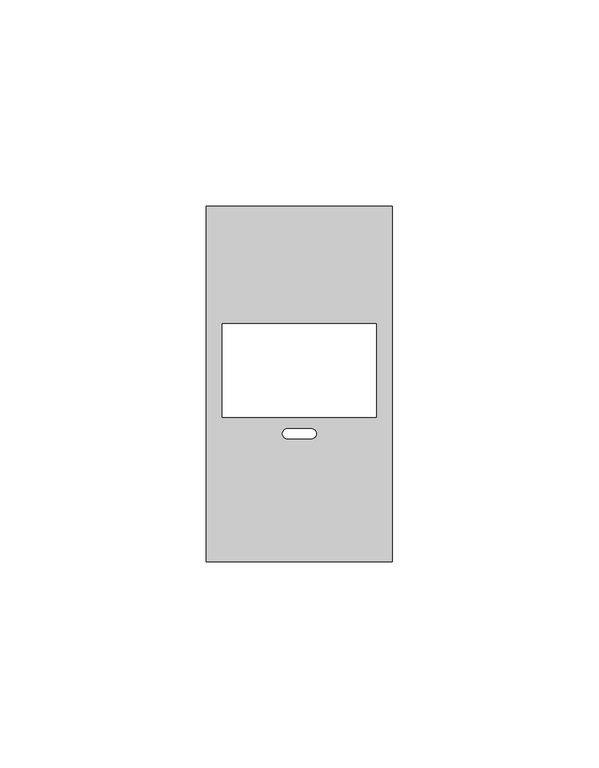
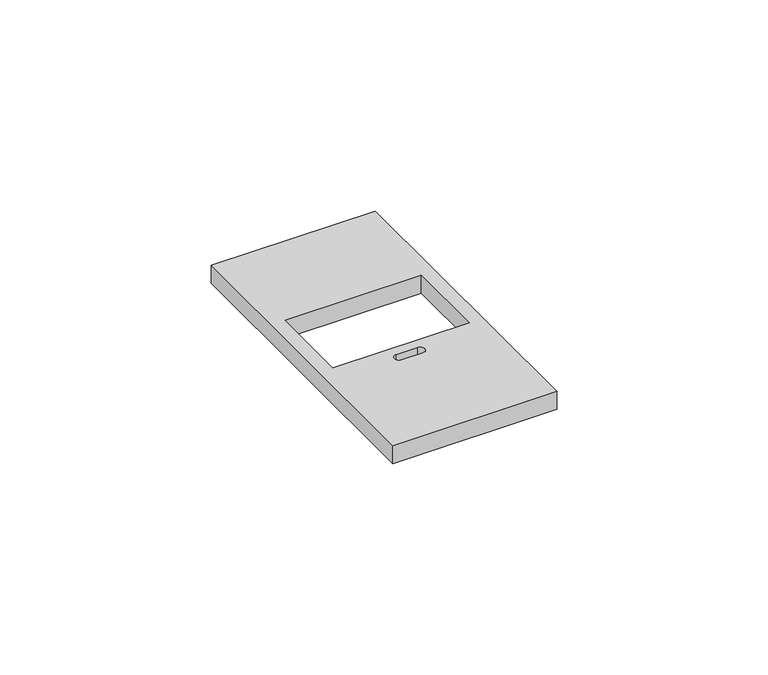
"""IFC4 building model written with IfcOpenShell, lengths in millimetres: proxy geometry."""

import ifcopenshell
import ifcopenshell.guid

model = None  # the IFC model being written
_history = None  # IfcOwnerHistory: only IFC2X3 demands one
_inside = {}  # id of a spatial element -> (the spatial element, [elements in it])
_under = {}  # id of a project, library or spatial element -> (it, [spatial elements below it])
_declared = {}  # id of a project -> (the project, [libraries it declares])
_typed = {}  # id of a type object -> (the type object, [elements of that type])
_made_of = {}  # id of a material, layer set ... -> (it, [elements and type objects made of it])


def new_model(schema):
    """Start an empty IFC model of exactly this schema.

    Asked for "IFC4X3", IfcOpenShell would pick the latest addendum, in which some entities
    have other attributes; the version numbers below select the first issue.
    IFC2X3 requires an IfcOwnerHistory on every rooted entity: one is made here for all.
    """
    global model, _history
    if schema == "IFC4X3":
        model = ifcopenshell.file(schema_version=(4, 3, 0, 0))
    else:
        model = ifcopenshell.file(schema=schema)
    _inside.clear()
    _under.clear()
    _declared.clear()
    _typed.clear()
    _made_of.clear()
    _history = None
    if model.schema == "IFC2X3":
        org = make("IfcOrganization", Name="unknown")
        user = make(
            "IfcPersonAndOrganization",
            ThePerson=make("IfcPerson", FamilyName="unknown"),
            TheOrganization=org,
        )
        app = make(
            "IfcApplication",
            ApplicationDeveloper=org,
            Version="unknown",
            ApplicationFullName="unknown",
            ApplicationIdentifier="unknown",
        )
        _history = make(
            "IfcOwnerHistory",
            OwningUser=user,
            OwningApplication=app,
            ChangeAction="ADDED",
            CreationDate=0,
        )
    return model


def make(cls, **values):
    """One entity of the class cls with the attributes given. An attribute that is None is left unset."""
    return model.create_entity(
        cls, **{name: value for name, value in values.items() if value is not None}
    )


def rooted(cls, **values):
    """An entity with a GlobalId (a new one), such as an element, a storey or a relation."""
    return make(cls, GlobalId=ifcopenshell.guid.new(), OwnerHistory=_history, **values)


def si_unit(unit_type, name, prefix=None):
    """IfcSIUnit, for example si_unit("LENGTHUNIT", "METRE", prefix="MILLI")."""
    return make("IfcSIUnit", UnitType=unit_type, Prefix=prefix, Name=name)


def assignment(units):
    """IfcUnitAssignment: the units of a project."""
    return None if units is None else make("IfcUnitAssignment", Units=units)


def point(xyz):
    """IfcCartesianPoint."""
    return None if xyz is None else make("IfcCartesianPoint", Coordinates=xyz)


def direction(xyz):
    """IfcDirection."""
    return None if xyz is None else make("IfcDirection", DirectionRatios=xyz)


def frame(location, z_axis=None, x_axis=None):
    """IfcAxis2Placement3D, a coordinate frame: its origin and axes. An axis left out is left unset."""
    return make(
        "IfcAxis2Placement3D",
        Location=point(location),
        Axis=direction(z_axis),
        RefDirection=direction(x_axis),
    )


def frame_2d(location, x_axis=None):
    """IfcAxis2Placement2D, a coordinate frame in the plane: its origin and x axis."""
    return make(
        "IfcAxis2Placement2D", Location=point(location), RefDirection=direction(x_axis)
    )


def origin():
    """The frame at (0, 0, 0) with its axes left unset."""
    return frame((0.0, 0.0, 0.0))


def place(relative_to, where):
    """IfcLocalPlacement: puts the frame where relative to a parent placement (None: the world)."""
    return make(
        "IfcLocalPlacement", PlacementRelTo=relative_to, RelativePlacement=where
    )


def context(
    kind, dimensions, precision=None, world=None, true_north=None, identifier=None
):
    """IfcGeometricRepresentationContext, for example the 3D "Model" context."""
    return make(
        "IfcGeometricRepresentationContext",
        ContextIdentifier=identifier,
        ContextType=kind,
        CoordinateSpaceDimension=dimensions,
        Precision=precision,
        WorldCoordinateSystem=world,
        TrueNorth=true_north,
    )


def project(units=None, contexts=None):
    """IfcProject with its units and contexts."""
    return rooted(
        "IfcProject",
        Name="project",
        RepresentationContexts=contexts,
        UnitsInContext=assignment(units),
    )


def spatial(cls, under=None, at=None, **own):
    """A site, building, storey or space (cls), placed at a placement, below another one or the project."""
    s = rooted(cls, ObjectPlacement=at, **own)
    if under is not None:
        _under.setdefault(under.id(), (under, []))[1].append(s)
    return s


def polyline(points):
    """IfcPolyline through the points."""
    return make("IfcPolyline", Points=[point(p) for p in points])


def circle_curve(where, radius):
    """IfcCircle in the frame where."""
    return make("IfcCircle", Position=where, Radius=radius)


def trimmed(basis, trim1, trim2, sense, master):
    """IfcTrimmedCurve: the piece of a basis curve between two trims."""
    return make(
        "IfcTrimmedCurve",
        BasisCurve=basis,
        Trim1=trim1,
        Trim2=trim2,
        SenseAgreement=sense,
        MasterRepresentation=master,
    )


def segment(curve, same_sense, transition):
    """IfcCompositeCurveSegment."""
    return make(
        "IfcCompositeCurveSegment",
        Transition=transition,
        SameSense=same_sense,
        ParentCurve=curve,
    )


def composite_curve(segments, self_intersect=None):
    """IfcCompositeCurve: segments joined end to end."""
    return make("IfcCompositeCurve", Segments=segments, SelfIntersect=self_intersect)


def outline(outer, holes=None, kind="AREA"):
    """IfcArbitraryClosedProfileDef: a profile drawn as a closed curve; with holes, ...WithVoids."""
    if holes is None:
        return make("IfcArbitraryClosedProfileDef", ProfileType=kind, OuterCurve=outer)
    return make(
        "IfcArbitraryProfileDefWithVoids",
        ProfileType=kind,
        OuterCurve=outer,
        InnerCurves=holes,
    )


def extrude(swept, where, along, depth):
    """IfcExtrudedAreaSolid: the profile swept, set in the frame where, extruded along a direction by depth."""
    return make(
        "IfcExtrudedAreaSolid",
        SweptArea=swept,
        Position=where,
        ExtrudedDirection=direction(along),
        Depth=depth,
    )


def shape(context_of_items, identifier, shape_type, items):
    """IfcShapeRepresentation: the items that make up one representation, for example the "Body"."""
    return make(
        "IfcShapeRepresentation",
        ContextOfItems=context_of_items,
        RepresentationIdentifier=identifier,
        RepresentationType=shape_type,
        Items=items,
    )


def source(mapping_origin, context_of_items, identifier, shape_type, items):
    """IfcRepresentationMap: a shape defined once, which mapped items show again and again."""
    return make(
        "IfcRepresentationMap",
        MappingOrigin=mapping_origin,
        MappedRepresentation=shape(context_of_items, identifier, shape_type, items),
    )


def transform(
    local_origin,
    x_axis=None,
    y_axis=None,
    z_axis=None,
    scale=None,
    scale2=None,
    scale3=None,
    uniform=True,
):
    """IfcCartesianTransformationOperator3D, or its non-uniform kind. x_axis, y_axis, z_axis: its Axis1, 2, 3."""
    if uniform:
        return make(
            "IfcCartesianTransformationOperator3D",
            Axis1=direction(x_axis),
            Axis2=direction(y_axis),
            LocalOrigin=point(local_origin),
            Scale=scale,
            Axis3=direction(z_axis),
        )
    return make(
        "IfcCartesianTransformationOperator3DnonUniform",
        Axis1=direction(x_axis),
        Axis2=direction(y_axis),
        LocalOrigin=point(local_origin),
        Scale=scale,
        Axis3=direction(z_axis),
        Scale2=scale2,
        Scale3=scale3,
    )


def mapped(mapping_source, mapping_target):
    """IfcMappedItem: shows the shape of a source again, moved by a transform."""
    return make(
        "IfcMappedItem", MappingSource=mapping_source, MappingTarget=mapping_target
    )


def made_of(thing, what):
    """Note that an element or type object is made of a material, layer set ...; save() writes the relation."""
    if what is not None:
        _made_of.setdefault(what.id(), (what, []))[1].append(thing)
    return thing


def element(
    cls,
    number,
    at=None,
    inside=None,
    cuts=None,
    type_object=None,
    material=None,
    context=None,
    identifier="Body",
    shape_type=None,
    held_by="IfcProductDefinitionShape",
    body=None,
    shapes=None,
    **own,
):
    """One element of the class cls, such as IfcWall. Its Tag is "e" and its number.

    at: its placement. inside: the storey or other place that contains it. cuts: it is an
    opening in that element (IfcRelVoidsElement). A single representation is given by context,
    identifier, shape_type and body (its items); several are given by shapes. held_by: the class
    of the entity that holds the representations. save() writes the other relations.
    """
    e = rooted(cls, Tag="e%d" % number, ObjectPlacement=at, **own)
    if body is not None:
        shapes = [shape(context, identifier, shape_type, body)]
    if shapes is not None:
        e.Representation = make(held_by, Representations=shapes)
    if inside is not None:
        _inside.setdefault(inside.id(), (inside, []))[1].append(e)
    if cuts is not None:
        rooted(
            "IfcRelVoidsElement", RelatingBuildingElement=cuts, RelatedOpeningElement=e
        )
    if type_object is not None:
        _typed.setdefault(type_object.id(), (type_object, []))[1].append(e)
    return made_of(e, material)


def aggregate(whole, parts):
    """IfcRelAggregates: a whole, such as a stair, and the parts it consists of."""
    return rooted("IfcRelAggregates", RelatingObject=whole, RelatedObjects=parts)


def save(model, path):
    """Write the relations noted so far, then the file.

    IfcRelAggregates (storeys below a building ...), IfcRelContainedInSpatialStructure (elements
    in a storey), IfcRelDefinesByType, IfcRelAssociatesMaterial and IfcRelDeclares: one each for
    every whole, place, type object, material and project.
    """
    for whole, parts in _under.values():
        aggregate(whole, parts)
    for where, things in _inside.values():
        rooted(
            "IfcRelContainedInSpatialStructure",
            RelatedElements=things,
            RelatingStructure=where,
        )
    for kind, things in _typed.values():
        rooted("IfcRelDefinesByType", RelatedObjects=things, RelatingType=kind)
    for what, things in _made_of.values():
        rooted("IfcRelAssociatesMaterial", RelatedObjects=things, RelatingMaterial=what)
    for by, libraries in _declared.values():
        rooted("IfcRelDeclares", RelatingContext=by, RelatedDefinitions=libraries)
    model.write(path)


def electrical_fixtures_ee05c63f(model_context):
    return source(origin(), model_context, "Body", "SweptSolid", [
        extrude(outline(polyline([(0.0, 0.0), (0.0, 86.0), (45.0, 86.0), (45.0, 0.0), (0.0, 0.0)]), holes=[polyline([(41.1581942, 57.5927332), (3.8601293, 57.5927332), (3.8601293, 35.0056652), (41.1581942, 35.0056652), (41.1581942, 57.5927332)]), composite_curve([segment(trimmed(circle_curve(frame_2d((19.6156601, 30.9759647)), 1.2172005), [point((19.6156601, 32.1931652))], [point((19.6156601, 29.7587642))], True, "CARTESIAN"), True, "CONTINUOUS"), segment(polyline([(19.6156601, 29.7587642), (25.4026634, 29.7587642)]), True, "CONTINUOUS"), segment(trimmed(circle_curve(frame_2d((25.4026634, 30.9759647)), 1.2172005), [point((25.4026634, 29.7587642))], [point((25.4026634, 32.1931652))], True, "CARTESIAN"), True, "CONTINUOUS"), segment(polyline([(25.4026634, 32.1931652), (19.6156601, 32.1931652)]), True, "CONTINUOUS")], self_intersect=False)]), frame((0.0, 0.0, 5.5), z_axis=(0.0, 0.0, 1.0), x_axis=(1.0, 0.0, 0.0)), (0.0, 0.0, 1.0), 5.2),
    ])


if __name__ == "__main__":
    model = new_model("IFC4")
    model_context = context("Model", 3, world=origin())
    ifc_project = project(units=[si_unit("LENGTHUNIT", "METRE", prefix="MILLI")], contexts=[model_context])
    site = spatial("IfcSite", under=ifc_project)
    building = spatial("IfcBuilding", under=site)
    placement = place(None, origin())
    electrical_fixtures_shape = electrical_fixtures_ee05c63f(model_context)
    element("IfcBuildingElementProxy", 1, Name="Electrical Fixtures", at=placement, inside=building, context=model_context, shape_type="MappedRepresentation", body=[
        mapped(electrical_fixtures_shape, transform((0.0, 0.0, 0.0), x_axis=(1.0, 0.0, 0.0), y_axis=(0.0, 1.0, 0.0), z_axis=(0.0, 0.0, 1.0))),
    ])
    save(model, "model.ifc")
